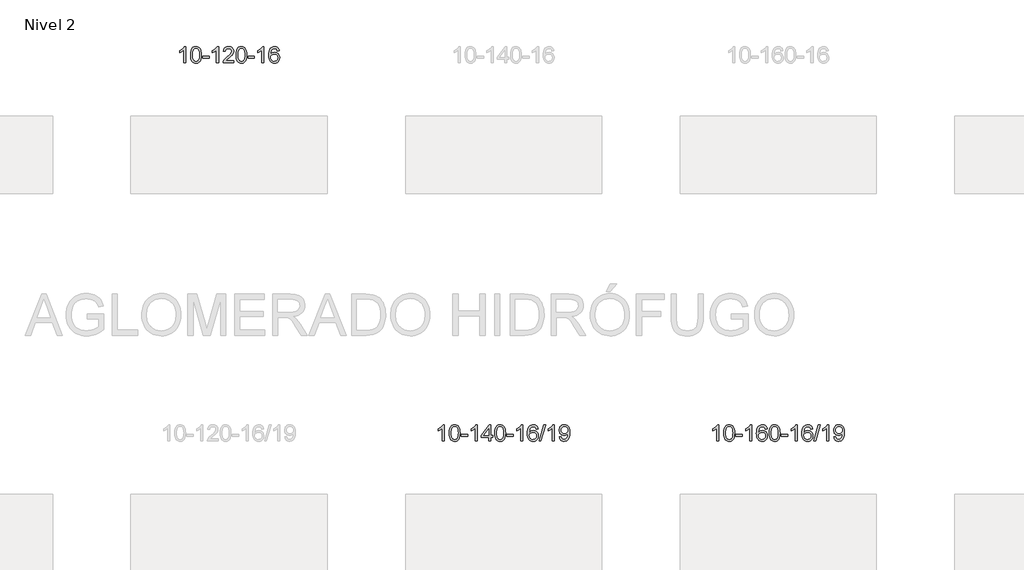
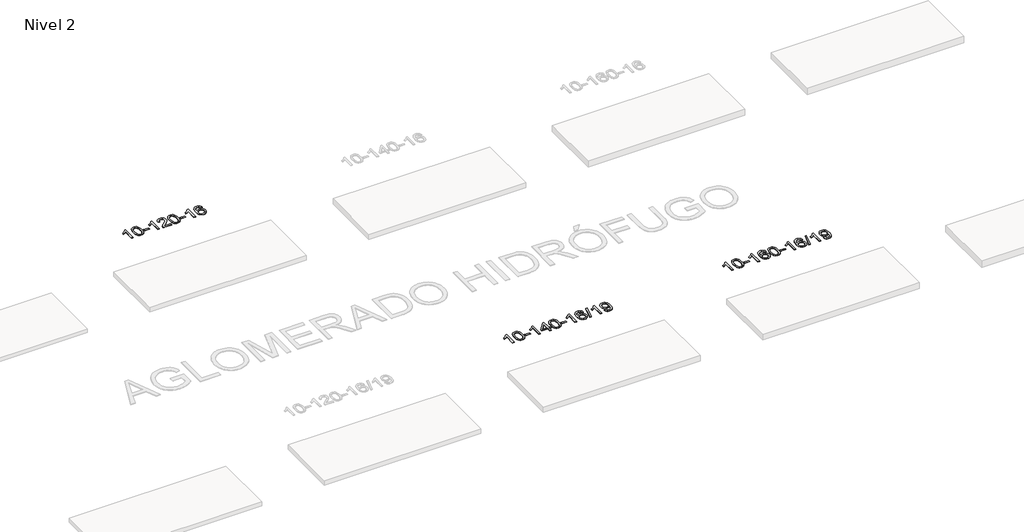
# One storey, part 19 of 51: 3 proxies.
"""IFC4 building model written with IfcOpenShell, lengths in millimetres."""

import ifcopenshell
import ifcopenshell.guid

model = None  # the IFC model being written
_history = None  # IfcOwnerHistory: only IFC2X3 demands one
_inside = {}  # id of a spatial element -> (the spatial element, [elements in it])
_under = {}  # id of a project, library or spatial element -> (it, [spatial elements below it])
_declared = {}  # id of a project -> (the project, [libraries it declares])
_typed = {}  # id of a type object -> (the type object, [elements of that type])
_made_of = {}  # id of a material, layer set ... -> (it, [elements and type objects made of it])


def new_model(schema):
    """Start an empty IFC model of exactly this schema.

    Asked for "IFC4X3", IfcOpenShell would pick the latest addendum, in which some entities
    have other attributes; the version numbers below select the first issue.
    IFC2X3 requires an IfcOwnerHistory on every rooted entity: one is made here for all.
    """
    global model, _history
    if schema == "IFC4X3":
        model = ifcopenshell.file(schema_version=(4, 3, 0, 0))
    else:
        model = ifcopenshell.file(schema=schema)
    _inside.clear()
    _under.clear()
    _declared.clear()
    _typed.clear()
    _made_of.clear()
    _history = None
    if model.schema == "IFC2X3":
        org = make("IfcOrganization", Name="unknown")
        user = make(
            "IfcPersonAndOrganization",
            ThePerson=make("IfcPerson", FamilyName="unknown"),
            TheOrganization=org,
        )
        app = make(
            "IfcApplication",
            ApplicationDeveloper=org,
            Version="unknown",
            ApplicationFullName="unknown",
            ApplicationIdentifier="unknown",
        )
        _history = make(
            "IfcOwnerHistory",
            OwningUser=user,
            OwningApplication=app,
            ChangeAction="ADDED",
            CreationDate=0,
        )
    return model


def make(cls, **values):
    """One entity of the class cls with the attributes given. An attribute that is None is left unset."""
    return model.create_entity(
        cls, **{name: value for name, value in values.items() if value is not None}
    )


def rooted(cls, **values):
    """An entity with a GlobalId (a new one), such as an element, a storey or a relation."""
    return make(cls, GlobalId=ifcopenshell.guid.new(), OwnerHistory=_history, **values)


def si_unit(unit_type, name, prefix=None):
    """IfcSIUnit, for example si_unit("LENGTHUNIT", "METRE", prefix="MILLI")."""
    return make("IfcSIUnit", UnitType=unit_type, Prefix=prefix, Name=name)


def assignment(units):
    """IfcUnitAssignment: the units of a project."""
    return None if units is None else make("IfcUnitAssignment", Units=units)


def point(xyz):
    """IfcCartesianPoint."""
    return None if xyz is None else make("IfcCartesianPoint", Coordinates=xyz)


def direction(xyz):
    """IfcDirection."""
    return None if xyz is None else make("IfcDirection", DirectionRatios=xyz)


def frame(location, z_axis=None, x_axis=None):
    """IfcAxis2Placement3D, a coordinate frame: its origin and axes. An axis left out is left unset."""
    return make(
        "IfcAxis2Placement3D",
        Location=point(location),
        Axis=direction(z_axis),
        RefDirection=direction(x_axis),
    )


def origin():
    """The frame at (0, 0, 0) with its axes left unset."""
    return frame((0.0, 0.0, 0.0))


def place(relative_to, where):
    """IfcLocalPlacement: puts the frame where relative to a parent placement (None: the world)."""
    return make(
        "IfcLocalPlacement", PlacementRelTo=relative_to, RelativePlacement=where
    )


def context(
    kind, dimensions, precision=None, world=None, true_north=None, identifier=None
):
    """IfcGeometricRepresentationContext, for example the 3D "Model" context."""
    return make(
        "IfcGeometricRepresentationContext",
        ContextIdentifier=identifier,
        ContextType=kind,
        CoordinateSpaceDimension=dimensions,
        Precision=precision,
        WorldCoordinateSystem=world,
        TrueNorth=true_north,
    )


def project(units=None, contexts=None):
    """IfcProject with its units and contexts."""
    return rooted(
        "IfcProject",
        Name="project",
        RepresentationContexts=contexts,
        UnitsInContext=assignment(units),
    )


def spatial(cls, under=None, at=None, **own):
    """A site, building, storey or space (cls), placed at a placement, below another one or the project."""
    s = rooted(cls, ObjectPlacement=at, **own)
    if under is not None:
        _under.setdefault(under.id(), (under, []))[1].append(s)
    return s


def polyline(points):
    """IfcPolyline through the points."""
    return make("IfcPolyline", Points=[point(p) for p in points])


def outline(outer, holes=None, kind="AREA"):
    """IfcArbitraryClosedProfileDef: a profile drawn as a closed curve; with holes, ...WithVoids."""
    if holes is None:
        return make("IfcArbitraryClosedProfileDef", ProfileType=kind, OuterCurve=outer)
    return make(
        "IfcArbitraryProfileDefWithVoids",
        ProfileType=kind,
        OuterCurve=outer,
        InnerCurves=holes,
    )


def extrude(swept, where, along, depth):
    """IfcExtrudedAreaSolid: the profile swept, set in the frame where, extruded along a direction by depth."""
    return make(
        "IfcExtrudedAreaSolid",
        SweptArea=swept,
        Position=where,
        ExtrudedDirection=direction(along),
        Depth=depth,
    )


def shape(context_of_items, identifier, shape_type, items):
    """IfcShapeRepresentation: the items that make up one representation, for example the "Body"."""
    return make(
        "IfcShapeRepresentation",
        ContextOfItems=context_of_items,
        RepresentationIdentifier=identifier,
        RepresentationType=shape_type,
        Items=items,
    )


def made_of(thing, what):
    """Note that an element or type object is made of a material, layer set ...; save() writes the relation."""
    if what is not None:
        _made_of.setdefault(what.id(), (what, []))[1].append(thing)
    return thing


def element(
    cls,
    number,
    at=None,
    inside=None,
    cuts=None,
    type_object=None,
    material=None,
    context=None,
    identifier="Body",
    shape_type=None,
    held_by="IfcProductDefinitionShape",
    body=None,
    shapes=None,
    **own,
):
    """One element of the class cls, such as IfcWall. Its Tag is "e" and its number.

    at: its placement. inside: the storey or other place that contains it. cuts: it is an
    opening in that element (IfcRelVoidsElement). A single representation is given by context,
    identifier, shape_type and body (its items); several are given by shapes. held_by: the class
    of the entity that holds the representations. save() writes the other relations.
    """
    e = rooted(cls, Tag="e%d" % number, ObjectPlacement=at, **own)
    if body is not None:
        shapes = [shape(context, identifier, shape_type, body)]
    if shapes is not None:
        e.Representation = make(held_by, Representations=shapes)
    if inside is not None:
        _inside.setdefault(inside.id(), (inside, []))[1].append(e)
    if cuts is not None:
        rooted(
            "IfcRelVoidsElement", RelatingBuildingElement=cuts, RelatedOpeningElement=e
        )
    if type_object is not None:
        _typed.setdefault(type_object.id(), (type_object, []))[1].append(e)
    return made_of(e, material)


def aggregate(whole, parts):
    """IfcRelAggregates: a whole, such as a stair, and the parts it consists of."""
    return rooted("IfcRelAggregates", RelatingObject=whole, RelatedObjects=parts)


def save(model, path):
    """Write the relations noted so far, then the file.

    IfcRelAggregates (storeys below a building ...), IfcRelContainedInSpatialStructure (elements
    in a storey), IfcRelDefinesByType, IfcRelAssociatesMaterial and IfcRelDeclares: one each for
    every whole, place, type object, material and project.
    """
    for whole, parts in _under.values():
        aggregate(whole, parts)
    for where, things in _inside.values():
        rooted(
            "IfcRelContainedInSpatialStructure",
            RelatedElements=things,
            RelatingStructure=where,
        )
    for kind, things in _typed.values():
        rooted("IfcRelDefinesByType", RelatedObjects=things, RelatingType=kind)
    for what, things in _made_of.values():
        rooted("IfcRelAssociatesMaterial", RelatedObjects=things, RelatingMaterial=what)
    for by, libraries in _declared.values():
        rooted("IfcRelDeclares", RelatingContext=by, RelatedDefinitions=libraries)
    model.write(path)


model = new_model("IFC4")

# Units and contexts
model_context = context("Model", 3, world=origin())
ifc_project = project(units=[si_unit("LENGTHUNIT", "METRE", prefix="MILLI")], contexts=[model_context])

# Site, building, storey
site = spatial("IfcSite", under=ifc_project)
building = spatial("IfcBuilding", under=site)
storey = spatial("IfcBuildingStorey", under=building, Name="Nivel 2", Elevation=3000.0)

# Proxies
placement = place(None, origin())
element("IfcBuildingElementProxy", 1, Name="Texto de modelo 1", ObjectType="Texto de modelo 1", at=placement, inside=storey, context=model_context, shape_type="SweptSolid", body=[
    extrude(outline(polyline([(24815.6133494, -130180.5895642), (24765.3851943, -130180.5895642), (24765.3851943, -129867.4484099), (24744.4159206, -129884.4077699), (24717.8057896, -129901.3426044), (24664.9288842, -129926.7019366), (24664.9288842, -129879.2206338), (24704.3780968, -129857.7608507), (24738.5543341, -129832.2298403), (24765.4955589, -129805.080149), (24783.2397338, -129778.7643236), (24815.6133494, -129778.7643236), (24815.6133494, -130180.5895642)])), frame((0.0, 0.0, 3000.0), z_axis=(0.0, 0.0, 1.0), x_axis=(1.0, 0.0, 0.0)), (0.0, 0.0, 1.0), 10.0),
    extrude(outline(polyline([(24934.9052177, -129982.9143055), (24938.5963004, -129918.59627), (24949.6695484, -129867.3012571), (24968.0145973, -129828.244452), (24979.8726602, -129813.0110717), (24993.5210823, -129800.6410396), (25009.0058486, -129791.0699764), (25026.3729444, -129784.2335026), (25066.7541248, -129778.7643236), (25097.7052633, -129782.0016852), (25125.4190403, -129791.7137699), (25148.595606, -129807.5204329), (25165.9351107, -129829.0415296), (25179.0317097, -129856.093119), (25189.4795584, -129888.4912601), (25196.3221635, -129929.6327299), (25198.6030318, -129982.9143055), (25194.9487373, -130046.864459), (25183.9858539, -130098.0368445), (25165.7511697, -130137.1304379), (25153.9206978, -130152.4098034), (25140.2814729, -130164.8442148), (25124.7783125, -130174.4796574), (25107.3560343, -130181.3621164), (25066.7541248, -130186.8680836), (25039.0893987, -130184.4768507), (25014.5639324, -130177.3031517), (24993.1777257, -130165.3469869), (24974.9307788, -130148.6083561), (24957.4195958, -130118.350062), (24944.911608, -130080.6482889), (24937.4068153, -130035.5030367), (24934.9052177, -129982.9143055)]), holes=[polyline([(24985.1333728, -129982.8162036), (24986.6049007, -130026.4807308), (24991.0194847, -130061.8249935), (24998.3771246, -130088.8489917), (25008.6778205, -130107.5527255), (25021.1367574, -130120.2783768), (25034.9691204, -130129.3681278), (25050.1749095, -130134.8219784), (25066.7541248, -130136.6399285), (25083.33334, -130134.815847), (25098.5391291, -130129.3436023), (25112.3714922, -130120.2231945), (25124.8304291, -130107.4546236), (25135.1311249, -130088.720233), (25142.4887648, -130061.7023661), (25146.9033488, -130026.401023), (25148.3748768, -129982.8162036), (25146.9523997, -129940.3074391), (25142.6849686, -129905.5855101), (25135.5725833, -129878.6504167), (25125.615244, -129859.5021588), (25113.3647735, -129846.1541738), (25099.372995, -129836.6198987), (25083.6399083, -129830.8993337), (25066.1655136, -129828.9924787), (25049.6721375, -129830.6724732), (25034.7238657, -129835.7124565), (25021.3206984, -129844.1124287), (25009.4626354, -129855.8723898), (24998.818583, -129876.7190362), (24991.2156884, -129904.8252207), (24986.6539517, -129940.1909431), (24985.1333728, -129982.8162036)])]), frame((0.0, 0.0, 3000.0), z_axis=(0.0, 0.0, 1.0), x_axis=(1.0, 0.0, 0.0)), (0.0, 0.0, 1.0), 10.0),
    extrude(outline(polyline([(25229.9956288, -130061.2976959), (25229.9956288, -130011.0695409), (25386.9586134, -130011.0695409), (25386.9586134, -130061.2976959), (25229.9956288, -130061.2976959)])), frame((0.0, 0.0, 3000.0), z_axis=(0.0, 0.0, 1.0), x_axis=(1.0, 0.0, 0.0)), (0.0, 0.0, 1.0), 10.0),
    extrude(outline(polyline([(25619.2638306, -130180.5895642), (25569.0356755, -130180.5895642), (25569.0356755, -129867.4484099), (25548.0664018, -129884.4077699), (25521.4562708, -129901.3426044), (25468.5793654, -129926.7019366), (25468.5793654, -129879.2206338), (25508.028578, -129857.7608507), (25542.2048153, -129832.2298403), (25569.1460401, -129805.080149), (25586.890215, -129778.7643236), (25619.2638306, -129778.7643236), (25619.2638306, -130180.5895642)])), frame((0.0, 0.0, 3000.0), z_axis=(0.0, 0.0, 1.0), x_axis=(1.0, 0.0, 0.0)), (0.0, 0.0, 1.0), 10.0),
    extrude(outline(polyline([(25995.9749936, -130130.3614092), (25995.9749936, -130180.5895642), (25732.2771795, -130180.5895642), (25733.3808255, -130162.906703), (25737.6727821, -130145.9596058), (25750.0581426, -130118.8957536), (25768.1824622, -130092.6412419), (25794.4001858, -130065.1604569), (25831.0657579, -130034.4177848), (25885.2670386, -129986.2742944), (25917.7878069, -129950.7368937), (25934.0481911, -129921.8949452), (25939.4683192, -129893.8378117), (25934.3547595, -129868.686946), (25919.0140803, -129847.7789859), (25895.4328444, -129833.6891055), (25865.5976146, -129828.9924787), (25834.2663313, -129833.5787409), (25809.924806, -129847.3375275), (25794.2162448, -129869.1897181), (25788.783854, -129898.0561919), (25738.5556989, -129891.7776726), (25742.8752466, -129865.8481233), (25750.7325929, -129843.1927237), (25762.1277377, -129823.8114739), (25777.060681, -129807.7043739), (25795.1880664, -129795.0431019), (25816.1665371, -129785.9993362), (25839.9960934, -129780.5730768), (25866.6767351, -129778.7643236), (25893.5965001, -129780.7754119), (25917.554815, -129786.8086766), (25938.5516799, -129796.8641178), (25956.5870947, -129810.9417355), (25971.0724483, -129827.9991973), (25981.4191294, -129846.994171), (25987.627138, -129867.9266565), (25989.6964743, -129890.7966539), (25987.4646568, -129914.8193482), (25980.7692045, -129938.4251095), (25968.8866161, -129962.4355411), (25951.0933902, -129987.672246), (25922.7296884, -130017.8017814), (25879.135672, -130056.4907045), (25821.3536733, -130104.8058732), (25798.6921424, -130130.3614092), (25995.9749936, -130130.3614092)])), frame((0.0, 0.0, 3000.0), z_axis=(0.0, 0.0, 1.0), x_axis=(1.0, 0.0, 0.0)), (0.0, 0.0, 1.0), 10.0),
    extrude(outline(polyline([(26046.2031487, -129982.9143055), (26049.8942314, -129918.59627), (26060.9674795, -129867.3012571), (26079.3125283, -129828.244452), (26091.1705913, -129813.0110717), (26104.8190133, -129800.6410396), (26120.3037796, -129791.0699764), (26137.6708755, -129784.2335026), (26178.0520558, -129778.7643236), (26209.0031943, -129782.0016852), (26236.7169713, -129791.7137699), (26259.893537, -129807.5204329), (26277.2330417, -129829.0415296), (26290.3296407, -129856.093119), (26300.7774894, -129888.4912601), (26307.6200945, -129929.6327299), (26309.9009629, -129982.9143055), (26306.2466684, -130046.864459), (26295.2837849, -130098.0368445), (26277.0491007, -130137.1304379), (26265.2186289, -130152.4098034), (26251.5794039, -130164.8442148), (26236.0762435, -130174.4796574), (26218.6539653, -130181.3621164), (26178.0520558, -130186.8680836), (26150.3873298, -130184.4768507), (26125.8618634, -130177.3031517), (26104.4756568, -130165.3469869), (26086.2287098, -130148.6083561), (26068.7175268, -130118.350062), (26056.209539, -130080.6482889), (26048.7047463, -130035.5030367), (26046.2031487, -129982.9143055)]), holes=[polyline([(26096.4313038, -129982.8162036), (26097.9028318, -130026.4807308), (26102.3174157, -130061.8249935), (26109.6750556, -130088.8489917), (26119.9757515, -130107.5527255), (26132.4346884, -130120.2783768), (26146.2670514, -130129.3681278), (26161.4728405, -130134.8219784), (26178.0520558, -130136.6399285), (26194.631271, -130134.815847), (26209.8370602, -130129.3436023), (26223.6694232, -130120.2231945), (26236.1283601, -130107.4546236), (26246.429056, -130088.720233), (26253.7866959, -130061.7023661), (26258.2012798, -130026.401023), (26259.6728078, -129982.8162036), (26258.2503307, -129940.3074391), (26253.9828996, -129905.5855101), (26246.8705144, -129878.6504167), (26236.913175, -129859.5021588), (26224.6627046, -129846.1541738), (26210.670926, -129836.6198987), (26194.9378394, -129830.8993337), (26177.4634446, -129828.9924787), (26160.9700685, -129830.6724732), (26146.0217967, -129835.7124565), (26132.6186294, -129844.1124287), (26120.7605664, -129855.8723898), (26110.116514, -129876.7190362), (26102.5136194, -129904.8252207), (26097.9518827, -129940.1909431), (26096.4313038, -129982.8162036)])]), frame((0.0, 0.0, 3000.0), z_axis=(0.0, 0.0, 1.0), x_axis=(1.0, 0.0, 0.0)), (0.0, 0.0, 1.0), 10.0),
    extrude(outline(polyline([(26341.2935598, -130061.2976959), (26341.2935598, -130011.0695409), (26498.2565444, -130011.0695409), (26498.2565444, -130061.2976959), (26341.2935598, -130061.2976959)])), frame((0.0, 0.0, 3000.0), z_axis=(0.0, 0.0, 1.0), x_axis=(1.0, 0.0, 0.0)), (0.0, 0.0, 1.0), 10.0),
    extrude(outline(polyline([(26730.5617616, -130180.5895642), (26680.3336065, -130180.5895642), (26680.3336065, -129867.4484099), (26659.3643328, -129884.4077699), (26632.7542018, -129901.3426044), (26579.8772964, -129926.7019366), (26579.8772964, -129879.2206338), (26619.326509, -129857.7608507), (26653.5027464, -129832.2298403), (26680.4439711, -129805.080149), (26698.188146, -129778.7643236), (26730.5617616, -129778.7643236), (26730.5617616, -130180.5895642)])), frame((0.0, 0.0, 3000.0), z_axis=(0.0, 0.0, 1.0), x_axis=(1.0, 0.0, 0.0)), (0.0, 0.0, 1.0), 10.0),
    extrude(outline(polyline([(27107.2729247, -129885.4991532), (27057.0447696, -129891.7776726), (27048.9513657, -129866.8843242), (27038.0130077, -129849.888176), (27015.2288495, -129834.216403), (26987.6867508, -129828.9924787), (26964.3385068, -129832.0336365), (26942.363689, -129841.15711), (26923.4913426, -129860.3728129), (26908.077087, -129886.8235284), (26897.6660266, -129924.2371273), (26893.8032656, -129976.3414805), (26913.9509362, -129952.833821), (26938.0962578, -129936.2668685), (26964.8903298, -129926.4444192), (26992.9842515, -129923.1702695), (27017.1173104, -129925.4082183), (27039.3864338, -129932.1220647), (27059.7916218, -129943.3118087), (27078.3328744, -129958.9774503), (27093.7409986, -129978.1870219), (27104.7468016, -130000.0085555), (27111.3502835, -130024.4420514), (27113.5514441, -130051.4875094), (27109.4066402, -130087.4541058), (27096.9722288, -130120.7964773), (27077.2782793, -130149.07434), (27051.3548614, -130169.84741), (27020.3791974, -130182.6129152), (26985.5285097, -130186.8680836), (26955.585981, -130184.047655), (26928.5435887, -130175.5863691), (26904.4013328, -130161.484226), (26883.1592132, -130141.7412255), (26865.8411683, -130115.523502), (26853.4711362, -130081.9971895), (26846.0491169, -130041.1622881), (26843.5751105, -129993.0187976), (26846.3219628, -129939.0443776), (26854.5625195, -129892.9794204), (26868.2967806, -129854.8239261), (26887.5247462, -129824.5778948), (26908.3652612, -129804.5344574), (26932.528977, -129790.2177164), (26960.0158934, -129781.6276718), (26990.8260105, -129778.7643236), (27013.9596566, -129780.5362886), (27034.8982735, -129785.8521834), (27053.6418611, -129794.7120081), (27070.1904196, -129807.1157627), (27084.096359, -129822.6465143), (27094.9120896, -129840.8873299), (27102.6376115, -129861.8382095), (27107.2729247, -129885.4991532)]), holes=[polyline([(26893.8032656, -130050.7026945), (26896.7095334, -130072.9595552), (26905.4283367, -130094.2108718), (26918.9663941, -130112.4823442), (26936.3304242, -130125.7996724), (26957.2874352, -130133.9298645), (26981.6044351, -130136.6399285), (27014.7506029, -130131.0235968), (27028.6657394, -130124.003182), (27040.8089109, -130114.1746014), (27050.6589513, -130101.9363937), (27057.6946945, -130087.6870977), (27063.323289, -130053.1552411), (27057.7682709, -130020.0090733), (27050.8244982, -130006.3882425), (27041.1032165, -129994.7355803), (27028.9232568, -129985.4005746), (27014.6034501, -129978.7327135), (26979.5442959, -129973.3984246), (26946.4471791, -129978.7327135), (26918.7701903, -129994.7355803), (26907.8471608, -130006.2349583), (26900.0449968, -130019.3959367), (26895.3636984, -130034.2185154), (26893.8032656, -130050.7026945)])]), frame((0.0, 0.0, 3000.0), z_axis=(0.0, 0.0, 1.0), x_axis=(1.0, 0.0, 0.0)), (0.0, 0.0, 1.0), 10.0),
])
element("IfcBuildingElementProxy", 2, Name="Texto de modelo 1", ObjectType="Texto de modelo 1", at=placement, inside=storey, context=model_context, shape_type="SweptSolid", body=[
    extrude(outline(polyline([(31144.4249421, -139438.9702671), (31094.196787, -139438.9702671), (31094.196787, -139125.8291128), (31073.2275133, -139142.7884728), (31046.6173823, -139159.7233073), (30993.7404768, -139185.0826395), (30993.7404768, -139137.6013367), (31033.1896895, -139116.1415536), (31067.3659268, -139090.6105432), (31094.3071516, -139063.4608519), (31112.0513265, -139037.1450265), (31144.4249421, -139037.1450265), (31144.4249421, -139438.9702671)])), frame((0.0, 0.0, 3000.0), z_axis=(0.0, 0.0, 1.0), x_axis=(1.0, 0.0, 0.0)), (0.0, 0.0, 1.0), 10.0),
    extrude(outline(polyline([(31263.7168104, -139241.2950084), (31267.4078931, -139176.9769729), (31278.4811411, -139125.68196), (31296.8261899, -139086.6251549), (31308.6842529, -139071.3917746), (31322.3326749, -139059.0217425), (31337.8174413, -139049.4506793), (31355.1845371, -139042.6142055), (31395.5657174, -139037.1450265), (31426.516856, -139040.3823881), (31454.2306329, -139050.0944728), (31477.4071986, -139065.9011358), (31494.7467033, -139087.4222325), (31507.8433024, -139114.4738219), (31518.291151, -139146.871963), (31525.1337561, -139188.0134328), (31527.4146245, -139241.2950084), (31523.76033, -139305.2451619), (31512.7974466, -139356.4175474), (31494.5627623, -139395.5111408), (31482.7322905, -139410.7905063), (31469.0930656, -139423.2249177), (31453.5899051, -139432.8603603), (31436.167627, -139439.7428193), (31395.5657174, -139445.2487865), (31367.9009914, -139442.8575536), (31343.3755251, -139435.6838546), (31321.9893184, -139423.7276898), (31303.7423715, -139406.989059), (31286.2311885, -139376.7307649), (31273.7232006, -139339.0289918), (31266.2184079, -139293.8837396), (31263.7168104, -139241.2950084)]), holes=[polyline([(31313.9449655, -139241.1969065), (31315.4164934, -139284.8614337), (31319.8310774, -139320.2056964), (31327.1887173, -139347.2296946), (31337.4894131, -139365.9334284), (31349.94835, -139378.6590797), (31363.7807131, -139387.7488307), (31378.9865022, -139393.2026813), (31395.5657174, -139395.0206314), (31412.1449327, -139393.1965499), (31427.3507218, -139387.7243052), (31441.1830848, -139378.6038974), (31453.6420218, -139365.8353265), (31463.9427176, -139347.1009359), (31471.3003575, -139320.083069), (31475.7149415, -139284.7817259), (31477.1864694, -139241.1969065), (31475.7639924, -139198.688142), (31471.4965613, -139163.966213), (31464.384176, -139137.0311196), (31454.4268367, -139117.8828617), (31442.1763662, -139104.5348767), (31428.1845877, -139095.0006016), (31412.451501, -139089.2800366), (31394.9771063, -139087.3731816), (31378.4837301, -139089.0531761), (31363.5354584, -139094.0931594), (31350.132291, -139102.4931316), (31338.2742281, -139114.2530927), (31327.6301757, -139135.0997391), (31320.0272811, -139163.2059236), (31315.4655444, -139198.571646), (31313.9449655, -139241.1969065)])]), frame((0.0, 0.0, 3000.0), z_axis=(0.0, 0.0, 1.0), x_axis=(1.0, 0.0, 0.0)), (0.0, 0.0, 1.0), 10.0),
    extrude(outline(polyline([(31558.8072214, -139319.6783988), (31558.8072214, -139269.4502438), (31715.770206, -139269.4502438), (31715.770206, -139319.6783988), (31558.8072214, -139319.6783988)])), frame((0.0, 0.0, 3000.0), z_axis=(0.0, 0.0, 1.0), x_axis=(1.0, 0.0, 0.0)), (0.0, 0.0, 1.0), 10.0),
    extrude(outline(polyline([(31948.0754233, -139438.9702671), (31897.8472682, -139438.9702671), (31897.8472682, -139125.8291128), (31876.8779945, -139142.7884728), (31850.2678635, -139159.7233073), (31797.390958, -139185.0826395), (31797.390958, -139137.6013367), (31836.8401707, -139116.1415536), (31871.016408, -139090.6105432), (31897.9576328, -139063.4608519), (31915.7018077, -139037.1450265), (31948.0754233, -139037.1450265), (31948.0754233, -139438.9702671)])), frame((0.0, 0.0, 3000.0), z_axis=(0.0, 0.0, 1.0), x_axis=(1.0, 0.0, 0.0)), (0.0, 0.0, 1.0), 10.0),
    extrude(outline(polyline([(32230.6087956, -139438.9702671), (32230.6087956, -139344.7924764), (32048.5317334, -139344.7924764), (32048.5317334, -139294.5643213), (32243.1658343, -139043.4235459), (32280.8369506, -139043.4235459), (32280.8369506, -139294.5643213), (32331.0651057, -139294.5643213), (32331.0651057, -139344.7924764), (32280.8369506, -139344.7924764), (32280.8369506, -139438.9702671), (32230.6087956, -139438.9702671)]), holes=[polyline([(32230.6087956, -139294.5643213), (32230.6087956, -139139.3671703), (32110.3359086, -139294.5643213), (32230.6087956, -139294.5643213)])]), frame((0.0, 0.0, 3000.0), z_axis=(0.0, 0.0, 1.0), x_axis=(1.0, 0.0, 0.0)), (0.0, 0.0, 1.0), 10.0),
    extrude(outline(polyline([(32375.0147414, -139241.2950084), (32378.7058241, -139176.9769729), (32389.7790721, -139125.68196), (32408.124121, -139086.6251549), (32419.982184, -139071.3917746), (32433.630606, -139059.0217425), (32449.1153723, -139049.4506793), (32466.4824681, -139042.6142055), (32506.8636485, -139037.1450265), (32537.814787, -139040.3823881), (32565.528564, -139050.0944728), (32588.7051297, -139065.9011358), (32606.0446344, -139087.4222325), (32619.1412334, -139114.4738219), (32629.5890821, -139146.871963), (32636.4316872, -139188.0134328), (32638.7125555, -139241.2950084), (32635.0582611, -139305.2451619), (32624.0953776, -139356.4175474), (32605.8606934, -139395.5111408), (32594.0302216, -139410.7905063), (32580.3909966, -139423.2249177), (32564.8878362, -139432.8603603), (32547.465558, -139439.7428193), (32506.8636485, -139445.2487865), (32479.1989224, -139442.8575536), (32454.6734561, -139435.6838546), (32433.2872494, -139423.7276898), (32415.0403025, -139406.989059), (32397.5291195, -139376.7307649), (32385.0211317, -139339.0289918), (32377.516339, -139293.8837396), (32375.0147414, -139241.2950084)]), holes=[polyline([(32425.2428965, -139241.1969065), (32426.7144245, -139284.8614337), (32431.1290084, -139320.2056964), (32438.4866483, -139347.2296946), (32448.7873442, -139365.9334284), (32461.2462811, -139378.6590797), (32475.0786441, -139387.7488307), (32490.2844332, -139393.2026813), (32506.8636485, -139395.0206314), (32523.4428637, -139393.1965499), (32538.6486529, -139387.7243052), (32552.4810159, -139378.6038974), (32564.9399528, -139365.8353265), (32575.2406486, -139347.1009359), (32582.5982886, -139320.083069), (32587.0128725, -139284.7817259), (32588.4844005, -139241.1969065), (32587.0619234, -139198.688142), (32582.7944923, -139163.966213), (32575.682107, -139137.0311196), (32565.7247677, -139117.8828617), (32553.4742973, -139104.5348767), (32539.4825187, -139095.0006016), (32523.7494321, -139089.2800366), (32506.2750373, -139087.3731816), (32489.7816612, -139089.0531761), (32474.8333894, -139094.0931594), (32461.4302221, -139102.4931316), (32449.5721591, -139114.2530927), (32438.9281067, -139135.0997391), (32431.3252121, -139163.2059236), (32426.7634754, -139198.571646), (32425.2428965, -139241.1969065)])]), frame((0.0, 0.0, 3000.0), z_axis=(0.0, 0.0, 1.0), x_axis=(1.0, 0.0, 0.0)), (0.0, 0.0, 1.0), 10.0),
    extrude(outline(polyline([(32670.1051525, -139319.6783988), (32670.1051525, -139269.4502438), (32827.0681371, -139269.4502438), (32827.0681371, -139319.6783988), (32670.1051525, -139319.6783988)])), frame((0.0, 0.0, 3000.0), z_axis=(0.0, 0.0, 1.0), x_axis=(1.0, 0.0, 0.0)), (0.0, 0.0, 1.0), 10.0),
    extrude(outline(polyline([(33059.3733543, -139438.9702671), (33009.1451992, -139438.9702671), (33009.1451992, -139125.8291128), (32988.1759255, -139142.7884728), (32961.5657945, -139159.7233073), (32908.6888891, -139185.0826395), (32908.6888891, -139137.6013367), (32948.1381017, -139116.1415536), (32982.314339, -139090.6105432), (33009.2555638, -139063.4608519), (33026.9997387, -139037.1450265), (33059.3733543, -139037.1450265), (33059.3733543, -139438.9702671)])), frame((0.0, 0.0, 3000.0), z_axis=(0.0, 0.0, 1.0), x_axis=(1.0, 0.0, 0.0)), (0.0, 0.0, 1.0), 10.0),
    extrude(outline(polyline([(33436.0845174, -139143.8798561), (33385.8563623, -139150.1583755), (33377.7629584, -139125.2650271), (33366.8246004, -139108.2688789), (33344.0404422, -139092.5971059), (33316.4983435, -139087.3731816), (33293.1500995, -139090.4143394), (33271.1752817, -139099.5378129), (33252.3029353, -139118.7535158), (33236.8886797, -139145.2042313), (33226.4776192, -139182.6178302), (33222.6148583, -139234.7221834), (33242.7625289, -139211.2145239), (33266.9078505, -139194.6475714), (33293.7019225, -139184.8251221), (33321.7958442, -139181.5509724), (33345.9289031, -139183.7889212), (33368.1980265, -139190.5027676), (33388.6032145, -139201.6925116), (33407.1444671, -139217.3581532), (33422.5525913, -139236.5677248), (33433.5583943, -139258.3892584), (33440.1618761, -139282.8227543), (33442.3630367, -139309.8682123), (33438.2182329, -139345.8348087), (33425.7838215, -139379.1771802), (33406.089872, -139407.4550429), (33380.1664541, -139428.2281129), (33349.1907901, -139440.9936181), (33314.3401024, -139445.2487865), (33284.3975737, -139442.4283579), (33257.3551814, -139433.967072), (33233.2129254, -139419.8649289), (33211.9708059, -139400.1219284), (33194.652761, -139373.9042049), (33182.2827289, -139340.3778924), (33174.8607096, -139299.542991), (33172.3867032, -139251.3995005), (33175.1335554, -139197.4250805), (33183.3741121, -139151.3601233), (33197.1083733, -139113.204629), (33216.3363389, -139082.9585977), (33237.1768539, -139062.9151603), (33261.3405697, -139048.5984193), (33288.8274861, -139040.0083747), (33319.6376032, -139037.1450265), (33342.7712493, -139038.9169915), (33363.7098662, -139044.2328863), (33382.4534538, -139053.092711), (33399.0020122, -139065.4964656), (33412.9079517, -139081.0272172), (33423.7236823, -139099.2680328), (33431.4492042, -139120.2189124), (33436.0845174, -139143.8798561)]), holes=[polyline([(33222.6148583, -139309.0833974), (33225.5211261, -139331.3402581), (33234.2399293, -139352.5915747), (33247.7779868, -139370.8630471), (33265.1420169, -139384.1803753), (33286.0990279, -139392.3105674), (33310.4160278, -139395.0206314), (33343.5621956, -139389.4042997), (33357.477332, -139382.3838849), (33369.6205036, -139372.5553043), (33379.470544, -139360.3170966), (33386.5062871, -139346.0678006), (33392.1348817, -139311.535944), (33386.5798635, -139278.3897762), (33379.6360909, -139264.7689454), (33369.9148092, -139253.1162832), (33357.7348494, -139243.7812775), (33343.4150428, -139237.1134164), (33308.3558886, -139231.7791275), (33275.2587718, -139237.1134164), (33247.581783, -139253.1162832), (33236.6587535, -139264.6156612), (33228.8565895, -139277.7766396), (33224.1752911, -139292.5992183), (33222.6148583, -139309.0833974)])]), frame((0.0, 0.0, 3000.0), z_axis=(0.0, 0.0, 1.0), x_axis=(1.0, 0.0, 0.0)), (0.0, 0.0, 1.0), 10.0),
    extrude(outline(polyline([(33461.1985949, -139438.9702671), (33574.2119438, -139037.1450265), (33619.5350056, -139037.1450265), (33506.5216567, -139438.9702671), (33461.1985949, -139438.9702671)])), frame((0.0, 0.0, 3000.0), z_axis=(0.0, 0.0, 1.0), x_axis=(1.0, 0.0, 0.0)), (0.0, 0.0, 1.0), 10.0),
    extrude(outline(polyline([(33831.6312386, -139438.9702671), (33781.4030835, -139438.9702671), (33781.4030835, -139125.8291128), (33760.4338098, -139142.7884728), (33733.8236788, -139159.7233073), (33680.9467734, -139185.0826395), (33680.9467734, -139137.6013367), (33720.395986, -139116.1415536), (33754.5722233, -139090.6105432), (33781.5134481, -139063.4608519), (33799.257623, -139037.1450265), (33831.6312386, -139037.1450265), (33831.6312386, -139438.9702671)])), frame((0.0, 0.0, 3000.0), z_axis=(0.0, 0.0, 1.0), x_axis=(1.0, 0.0, 0.0)), (0.0, 0.0, 1.0), 10.0),
    extrude(outline(polyline([(33957.2016263, -139338.513957), (34007.4297813, -139332.2354376), (34016.0136946, -139360.7462922), (34029.9932104, -139380.1581988), (34049.0249723, -139391.3050233), (34072.7656237, -139395.0206314), (34094.0659912, -139392.6293985), (34113.4288469, -139385.4556996), (34129.5175528, -139374.2843497), (34140.9954711, -139359.9001636), (34157.4275335, -139316.2448335), (34162.872187, -139287.8443435), (34164.6870715, -139257.9723255), (34164.3927659, -139248.162139), (34146.9919476, -139269.4011928), (34124.2200521, -139286.2256627), (34097.7202857, -139297.1885462), (34069.1358547, -139300.8428407), (34045.2756416, -139298.6110232), (34023.3345463, -139291.9155709), (34003.3125687, -139280.7564837), (33985.2097088, -139265.1337617), (33970.2093205, -139245.8628765), (33959.4947574, -139223.7593), (33953.0660195, -139198.8230321), (33950.9231069, -139171.0540728), (33953.1702527, -139142.3592772), (33959.9116903, -139116.6075375), (33971.1474196, -139093.7988538), (33986.8774405, -139073.9332261), (34005.9919759, -139057.8383888), (34027.3812482, -139046.3420764), (34051.0452575, -139039.444289), (34076.9840039, -139037.1450265), (34114.4466537, -139042.3934763), (34148.5493147, -139058.1388257), (34177.072432, -139083.5962598), (34197.7964511, -139117.9809636), (34210.4148035, -139165.5113174), (34214.620921, -139230.4057013), (34210.4270663, -139299.2118972), (34197.845502, -139352.3953709), (34176.9865929, -139392.3596183), (34163.4945207, -139408.2858431), (34147.9607035, -139421.5081351), (34130.6978409, -139431.8946701), (34112.0186326, -139439.3136237), (34070.4111789, -139445.2487865), (34047.8538812, -139443.4982814), (34027.4670873, -139438.2467659), (34009.2507972, -139429.4942401), (33993.2050109, -139417.240704), (33979.7343985, -139401.8172513), (33969.2436302, -139383.5549759), (33961.7327062, -139362.4538778), (33957.2016263, -139338.513957)]), holes=[polyline([(34164.3927659, -139169.8768504), (34158.9726379, -139135.8355031), (34152.1974778, -139121.7578854), (34142.7122537, -139109.6423051), (34130.9829494, -139099.8995636), (34117.4755488, -139092.9404625), (34085.1264587, -139087.3731816), (34067.5171739, -139088.8723007), (34051.5756208, -139093.3696581), (34037.3017993, -139100.8652538), (34024.6957096, -139111.3590877), (34014.3950138, -139124.2380232), (34007.0373739, -139138.8889237), (34002.6227899, -139155.3117891), (34001.151262, -139173.5066194), (34006.7185428, -139204.5435971), (34013.6776439, -139217.6616559), (34023.4203854, -139229.179428), (34035.5420971, -139238.5573532), (34049.6381089, -139245.2558712), (34083.7530326, -139250.6146856), (34115.8446053, -139245.2558712), (34141.6821841, -139229.179428), (34151.6180637, -139217.4347953), (34158.7151205, -139203.6361548), (34164.3927659, -139169.8768504)])]), frame((0.0, 0.0, 3000.0), z_axis=(0.0, 0.0, 1.0), x_axis=(1.0, 0.0, 0.0)), (0.0, 0.0, 1.0), 10.0),
])
element("IfcBuildingElementProxy", 3, Name="Texto de modelo 1", ObjectType="Texto de modelo 1", at=placement, inside=storey, context=model_context, shape_type="SweptSolid", body=[
    extrude(outline(polyline([(37859.3654769, -139438.9702671), (37809.1373218, -139438.9702671), (37809.1373218, -139125.8291128), (37788.1680481, -139142.7884728), (37761.5579171, -139159.7233073), (37708.6810117, -139185.0826395), (37708.6810117, -139137.6013367), (37748.1302243, -139116.1415536), (37782.3064616, -139090.6105432), (37809.2476864, -139063.4608519), (37826.9918613, -139037.1450265), (37859.3654769, -139037.1450265), (37859.3654769, -139438.9702671)])), frame((0.0, 0.0, 3000.0), z_axis=(0.0, 0.0, 1.0), x_axis=(1.0, 0.0, 0.0)), (0.0, 0.0, 1.0), 10.0),
    extrude(outline(polyline([(37978.6573452, -139241.2950084), (37982.3484279, -139176.9769729), (37993.4216759, -139125.68196), (38011.7667248, -139086.6251549), (38023.6247877, -139071.3917746), (38037.2732098, -139059.0217425), (38052.7579761, -139049.4506793), (38070.1250719, -139042.6142055), (38110.5062523, -139037.1450265), (38141.4573908, -139040.3823881), (38169.1711678, -139050.0944728), (38192.3477335, -139065.9011358), (38209.6872382, -139087.4222325), (38222.7838372, -139114.4738219), (38233.2316859, -139146.871963), (38240.074291, -139188.0134328), (38242.3551593, -139241.2950084), (38238.7008649, -139305.2451619), (38227.7379814, -139356.4175474), (38209.5032972, -139395.5111408), (38197.6728253, -139410.7905063), (38184.0336004, -139423.2249177), (38168.53044, -139432.8603603), (38151.1081618, -139439.7428193), (38110.5062523, -139445.2487865), (38082.8415262, -139442.8575536), (38058.3160599, -139435.6838546), (38036.9298532, -139423.7276898), (38018.6829063, -139406.989059), (38001.1717233, -139376.7307649), (37988.6637355, -139339.0289918), (37981.1589428, -139293.8837396), (37978.6573452, -139241.2950084)]), holes=[polyline([(38028.8855003, -139241.1969065), (38030.3570283, -139284.8614337), (38034.7716122, -139320.2056964), (38042.1292521, -139347.2296946), (38052.429948, -139365.9334284), (38064.8888849, -139378.6590797), (38078.7212479, -139387.7488307), (38093.927037, -139393.2026813), (38110.5062523, -139395.0206314), (38127.0854675, -139393.1965499), (38142.2912567, -139387.7243052), (38156.1236197, -139378.6038974), (38168.5825566, -139365.8353265), (38178.8832524, -139347.1009359), (38186.2408923, -139320.083069), (38190.6554763, -139284.7817259), (38192.1270043, -139241.1969065), (38190.7045272, -139198.688142), (38186.4370961, -139163.966213), (38179.3247108, -139137.0311196), (38169.3673715, -139117.8828617), (38157.1169011, -139104.5348767), (38143.1251225, -139095.0006016), (38127.3920359, -139089.2800366), (38109.9176411, -139087.3731816), (38093.424265, -139089.0531761), (38078.4759932, -139094.0931594), (38065.0728259, -139102.4931316), (38053.2147629, -139114.2530927), (38042.5707105, -139135.0997391), (38034.9678159, -139163.2059236), (38030.4060792, -139198.571646), (38028.8855003, -139241.1969065)])]), frame((0.0, 0.0, 3000.0), z_axis=(0.0, 0.0, 1.0), x_axis=(1.0, 0.0, 0.0)), (0.0, 0.0, 1.0), 10.0),
    extrude(outline(polyline([(38273.7477563, -139319.6783988), (38273.7477563, -139269.4502438), (38430.7107409, -139269.4502438), (38430.7107409, -139319.6783988), (38273.7477563, -139319.6783988)])), frame((0.0, 0.0, 3000.0), z_axis=(0.0, 0.0, 1.0), x_axis=(1.0, 0.0, 0.0)), (0.0, 0.0, 1.0), 10.0),
    extrude(outline(polyline([(38663.0159581, -139438.9702671), (38612.787803, -139438.9702671), (38612.787803, -139125.8291128), (38591.8185293, -139142.7884728), (38565.2083983, -139159.7233073), (38512.3314929, -139185.0826395), (38512.3314929, -139137.6013367), (38551.7807055, -139116.1415536), (38585.9569428, -139090.6105432), (38612.8981676, -139063.4608519), (38630.6423425, -139037.1450265), (38663.0159581, -139037.1450265), (38663.0159581, -139438.9702671)])), frame((0.0, 0.0, 3000.0), z_axis=(0.0, 0.0, 1.0), x_axis=(1.0, 0.0, 0.0)), (0.0, 0.0, 1.0), 10.0),
    extrude(outline(polyline([(39039.7271212, -139143.8798561), (38989.4989661, -139150.1583755), (38981.4055622, -139125.2650271), (38970.4672042, -139108.2688789), (38947.683046, -139092.5971059), (38920.1409473, -139087.3731816), (38896.7927033, -139090.4143394), (38874.8178855, -139099.5378129), (38855.9455391, -139118.7535158), (38840.5312835, -139145.2042313), (38830.120223, -139182.6178302), (38826.2574621, -139234.7221834), (38846.4051327, -139211.2145239), (38870.5504543, -139194.6475714), (38897.3445263, -139184.8251221), (38925.438448, -139181.5509724), (38949.5715069, -139183.7889212), (38971.8406303, -139190.5027676), (38992.2458183, -139201.6925116), (39010.7870709, -139217.3581532), (39026.1951951, -139236.5677248), (39037.2009981, -139258.3892584), (39043.8044799, -139282.8227543), (39046.0056405, -139309.8682123), (39041.8608367, -139345.8348087), (39029.4264253, -139379.1771802), (39009.7324758, -139407.4550429), (38983.8090579, -139428.2281129), (38952.8333939, -139440.9936181), (38917.9827062, -139445.2487865), (38888.0401775, -139442.4283579), (38860.9977852, -139433.967072), (38836.8555292, -139419.8649289), (38815.6134097, -139400.1219284), (38798.2953648, -139373.9042049), (38785.9253327, -139340.3778924), (38778.5033134, -139299.542991), (38776.029307, -139251.3995005), (38778.7761592, -139197.4250805), (38787.0167159, -139151.3601233), (38800.7509771, -139113.204629), (38819.9789427, -139082.9585977), (38840.8194577, -139062.9151603), (38864.9831734, -139048.5984193), (38892.4700899, -139040.0083747), (38923.2802069, -139037.1450265), (38946.4138531, -139038.9169915), (38967.35247, -139044.2328863), (38986.0960576, -139053.092711), (39002.644616, -139065.4964656), (39016.5505555, -139081.0272172), (39027.3662861, -139099.2680328), (39035.091808, -139120.2189124), (39039.7271212, -139143.8798561)]), holes=[polyline([(38826.2574621, -139309.0833974), (38829.1637298, -139331.3402581), (38837.8825331, -139352.5915747), (38851.4205906, -139370.8630471), (38868.7846207, -139384.1803753), (38889.7416317, -139392.3105674), (38914.0586316, -139395.0206314), (38947.2047994, -139389.4042997), (38961.1199358, -139382.3838849), (38973.2631074, -139372.5553043), (38983.1131478, -139360.3170966), (38990.1488909, -139346.0678006), (38995.7774855, -139311.535944), (38990.2224673, -139278.3897762), (38983.2786947, -139264.7689454), (38973.557413, -139253.1162832), (38961.3774532, -139243.7812775), (38947.0576466, -139237.1134164), (38911.9984924, -139231.7791275), (38878.9013756, -139237.1134164), (38851.2243868, -139253.1162832), (38840.3013573, -139264.6156612), (38832.4991933, -139277.7766396), (38827.8178949, -139292.5992183), (38826.2574621, -139309.0833974)])]), frame((0.0, 0.0, 3000.0), z_axis=(0.0, 0.0, 1.0), x_axis=(1.0, 0.0, 0.0)), (0.0, 0.0, 1.0), 10.0),
    extrude(outline(polyline([(39089.9552762, -139241.2950084), (39093.6463589, -139176.9769729), (39104.719607, -139125.68196), (39123.0646558, -139086.6251549), (39134.9227188, -139071.3917746), (39148.5711408, -139059.0217425), (39164.0559071, -139049.4506793), (39181.423003, -139042.6142055), (39221.8041833, -139037.1450265), (39252.7553218, -139040.3823881), (39280.4690988, -139050.0944728), (39303.6456645, -139065.9011358), (39320.9851692, -139087.4222325), (39334.0817682, -139114.4738219), (39344.5296169, -139146.871963), (39351.372222, -139188.0134328), (39353.6530904, -139241.2950084), (39349.9987959, -139305.2451619), (39339.0359124, -139356.4175474), (39320.8012282, -139395.5111408), (39308.9707564, -139410.7905063), (39295.3315314, -139423.2249177), (39279.828371, -139432.8603603), (39262.4060928, -139439.7428193), (39221.8041833, -139445.2487865), (39194.1394573, -139442.8575536), (39169.6139909, -139435.6838546), (39148.2277843, -139423.7276898), (39129.9808373, -139406.989059), (39112.4696543, -139376.7307649), (39099.9616665, -139339.0289918), (39092.4568738, -139293.8837396), (39089.9552762, -139241.2950084)]), holes=[polyline([(39140.1834313, -139241.1969065), (39141.6549593, -139284.8614337), (39146.0695432, -139320.2056964), (39153.4271831, -139347.2296946), (39163.727879, -139365.9334284), (39176.1868159, -139378.6590797), (39190.0191789, -139387.7488307), (39205.2249681, -139393.2026813), (39221.8041833, -139395.0206314), (39238.3833986, -139393.1965499), (39253.5891877, -139387.7243052), (39267.4215507, -139378.6038974), (39279.8804876, -139365.8353265), (39290.1811835, -139347.1009359), (39297.5388234, -139320.083069), (39301.9534073, -139284.7817259), (39303.4249353, -139241.1969065), (39302.0024583, -139198.688142), (39297.7350271, -139163.966213), (39290.6226419, -139137.0311196), (39280.6653025, -139117.8828617), (39268.4148321, -139104.5348767), (39254.4230535, -139095.0006016), (39238.6899669, -139089.2800366), (39221.2155721, -139087.3731816), (39204.722196, -139089.0531761), (39189.7739243, -139094.0931594), (39176.3707569, -139102.4931316), (39164.5126939, -139114.2530927), (39153.8686415, -139135.0997391), (39146.265747, -139163.2059236), (39141.7040102, -139198.571646), (39140.1834313, -139241.1969065)])]), frame((0.0, 0.0, 3000.0), z_axis=(0.0, 0.0, 1.0), x_axis=(1.0, 0.0, 0.0)), (0.0, 0.0, 1.0), 10.0),
    extrude(outline(polyline([(39385.0456873, -139319.6783988), (39385.0456873, -139269.4502438), (39542.0086719, -139269.4502438), (39542.0086719, -139319.6783988), (39385.0456873, -139319.6783988)])), frame((0.0, 0.0, 3000.0), z_axis=(0.0, 0.0, 1.0), x_axis=(1.0, 0.0, 0.0)), (0.0, 0.0, 1.0), 10.0),
    extrude(outline(polyline([(39774.3138891, -139438.9702671), (39724.0857341, -139438.9702671), (39724.0857341, -139125.8291128), (39703.1164603, -139142.7884728), (39676.5063293, -139159.7233073), (39623.6294239, -139185.0826395), (39623.6294239, -139137.6013367), (39663.0786365, -139116.1415536), (39697.2548739, -139090.6105432), (39724.1960986, -139063.4608519), (39741.9402735, -139037.1450265), (39774.3138891, -139037.1450265), (39774.3138891, -139438.9702671)])), frame((0.0, 0.0, 3000.0), z_axis=(0.0, 0.0, 1.0), x_axis=(1.0, 0.0, 0.0)), (0.0, 0.0, 1.0), 10.0),
    extrude(outline(polyline([(40151.0250522, -139143.8798561), (40100.7968971, -139150.1583755), (40092.7034932, -139125.2650271), (40081.7651352, -139108.2688789), (40058.980977, -139092.5971059), (40031.4388783, -139087.3731816), (40008.0906343, -139090.4143394), (39986.1158165, -139099.5378129), (39967.2434701, -139118.7535158), (39951.8292145, -139145.2042313), (39941.4181541, -139182.6178302), (39937.5553931, -139234.7221834), (39957.7030637, -139211.2145239), (39981.8483853, -139194.6475714), (40008.6424573, -139184.8251221), (40036.736379, -139181.5509724), (40060.8694379, -139183.7889212), (40083.1385613, -139190.5027676), (40103.5437493, -139201.6925116), (40122.0850019, -139217.3581532), (40137.4931261, -139236.5677248), (40148.4989292, -139258.3892584), (40155.102411, -139282.8227543), (40157.3035716, -139309.8682123), (40153.1587678, -139345.8348087), (40140.7243563, -139379.1771802), (40121.0304068, -139407.4550429), (40095.1069889, -139428.2281129), (40064.1313249, -139440.9936181), (40029.2806372, -139445.2487865), (39999.3381085, -139442.4283579), (39972.2957162, -139433.967072), (39948.1534603, -139419.8649289), (39926.9113407, -139400.1219284), (39909.5932958, -139373.9042049), (39897.2232637, -139340.3778924), (39889.8012445, -139299.542991), (39887.327238, -139251.3995005), (39890.0740903, -139197.4250805), (39898.314647, -139151.3601233), (39912.0489081, -139113.204629), (39931.2768737, -139082.9585977), (39952.1173888, -139062.9151603), (39976.2811045, -139048.5984193), (40003.7680209, -139040.0083747), (40034.578138, -139037.1450265), (40057.7117841, -139038.9169915), (40078.650401, -139044.2328863), (40097.3939887, -139053.092711), (40113.9425471, -139065.4964656), (40127.8484865, -139081.0272172), (40138.6642171, -139099.2680328), (40146.389739, -139120.2189124), (40151.0250522, -139143.8798561)]), holes=[polyline([(39937.5553931, -139309.0833974), (39940.4616609, -139331.3402581), (39949.1804642, -139352.5915747), (39962.7185216, -139370.8630471), (39980.0825518, -139384.1803753), (40001.0395628, -139392.3105674), (40025.3565626, -139395.0206314), (40058.5027304, -139389.4042997), (40072.4178669, -139382.3838849), (40084.5610384, -139372.5553043), (40094.4110788, -139360.3170966), (40101.446822, -139346.0678006), (40107.0754165, -139311.535944), (40101.5203984, -139278.3897762), (40094.5766257, -139264.7689454), (40084.855344, -139253.1162832), (40072.6753843, -139243.7812775), (40058.3555776, -139237.1134164), (40023.2964235, -139231.7791275), (39990.1993066, -139237.1134164), (39962.5223179, -139253.1162832), (39951.5992883, -139264.6156612), (39943.7971243, -139277.7766396), (39939.1158259, -139292.5992183), (39937.5553931, -139309.0833974)])]), frame((0.0, 0.0, 3000.0), z_axis=(0.0, 0.0, 1.0), x_axis=(1.0, 0.0, 0.0)), (0.0, 0.0, 1.0), 10.0),
    extrude(outline(polyline([(40176.1391297, -139438.9702671), (40289.1524786, -139037.1450265), (40334.4755404, -139037.1450265), (40221.4621915, -139438.9702671), (40176.1391297, -139438.9702671)])), frame((0.0, 0.0, 3000.0), z_axis=(0.0, 0.0, 1.0), x_axis=(1.0, 0.0, 0.0)), (0.0, 0.0, 1.0), 10.0),
    extrude(outline(polyline([(40546.5717734, -139438.9702671), (40496.3436183, -139438.9702671), (40496.3436183, -139125.8291128), (40475.3743446, -139142.7884728), (40448.7642136, -139159.7233073), (40395.8873082, -139185.0826395), (40395.8873082, -139137.6013367), (40435.3365208, -139116.1415536), (40469.5127581, -139090.6105432), (40496.4539829, -139063.4608519), (40514.1981578, -139037.1450265), (40546.5717734, -139037.1450265), (40546.5717734, -139438.9702671)])), frame((0.0, 0.0, 3000.0), z_axis=(0.0, 0.0, 1.0), x_axis=(1.0, 0.0, 0.0)), (0.0, 0.0, 1.0), 10.0),
    extrude(outline(polyline([(40672.1421611, -139338.513957), (40722.3703162, -139332.2354376), (40730.9542294, -139360.7462922), (40744.9337452, -139380.1581988), (40763.9655071, -139391.3050233), (40787.7061585, -139395.0206314), (40809.006526, -139392.6293985), (40828.3693817, -139385.4556996), (40844.4580876, -139374.2843497), (40855.9360059, -139359.9001636), (40872.3680683, -139316.2448335), (40877.8127219, -139287.8443435), (40879.6276064, -139257.9723255), (40879.3333008, -139248.162139), (40861.9324824, -139269.4011928), (40839.1605869, -139286.2256627), (40812.6608205, -139297.1885462), (40784.0763895, -139300.8428407), (40760.2161764, -139298.6110232), (40738.2750811, -139291.9155709), (40718.2531035, -139280.7564837), (40700.1502437, -139265.1337617), (40685.1498553, -139245.8628765), (40674.4352922, -139223.7593), (40668.0065543, -139198.8230321), (40665.8636417, -139171.0540728), (40668.1107876, -139142.3592772), (40674.8522251, -139116.6075375), (40686.0879544, -139093.7988538), (40701.8179754, -139073.9332261), (40720.9325107, -139057.8383888), (40742.321783, -139046.3420764), (40765.9857924, -139039.444289), (40791.9245387, -139037.1450265), (40829.3871886, -139042.3934763), (40863.4898495, -139058.1388257), (40892.0129669, -139083.5962598), (40912.7369859, -139117.9809636), (40925.3553384, -139165.5113174), (40929.5614558, -139230.4057013), (40925.3676011, -139299.2118972), (40912.7860369, -139352.3953709), (40891.9271277, -139392.3596183), (40878.4350556, -139408.2858431), (40862.9012383, -139421.5081351), (40845.6383757, -139431.8946701), (40826.9591674, -139439.3136237), (40785.3517137, -139445.2487865), (40762.7944161, -139443.4982814), (40742.4076222, -139438.2467659), (40724.191332, -139429.4942401), (40708.1455457, -139417.240704), (40694.6749333, -139401.8172513), (40684.1841651, -139383.5549759), (40676.673241, -139362.4538778), (40672.1421611, -139338.513957)]), holes=[polyline([(40879.3333008, -139169.8768504), (40873.9131727, -139135.8355031), (40867.1380126, -139121.7578854), (40857.6527885, -139109.6423051), (40845.9234842, -139099.8995636), (40832.4160837, -139092.9404625), (40800.0669935, -139087.3731816), (40782.4577087, -139088.8723007), (40766.5161556, -139093.3696581), (40752.2423342, -139100.8652538), (40739.6362445, -139111.3590877), (40729.3355486, -139124.2380232), (40721.9779087, -139138.8889237), (40717.5633248, -139155.3117891), (40716.0917968, -139173.5066194), (40721.6590776, -139204.5435971), (40728.6181787, -139217.6616559), (40738.3609202, -139229.179428), (40750.482632, -139238.5573532), (40764.5786437, -139245.2558712), (40798.6935674, -139250.6146856), (40830.7851401, -139245.2558712), (40856.6227189, -139229.179428), (40866.5585985, -139217.4347953), (40873.6556553, -139203.6361548), (40879.3333008, -139169.8768504)])]), frame((0.0, 0.0, 3000.0), z_axis=(0.0, 0.0, 1.0), x_axis=(1.0, 0.0, 0.0)), (0.0, 0.0, 1.0), 10.0),
])

save(model, "model.ifc")
